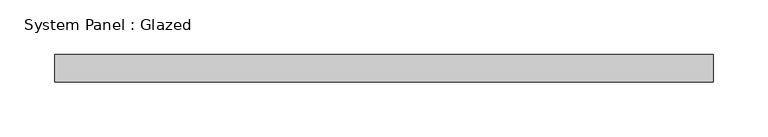
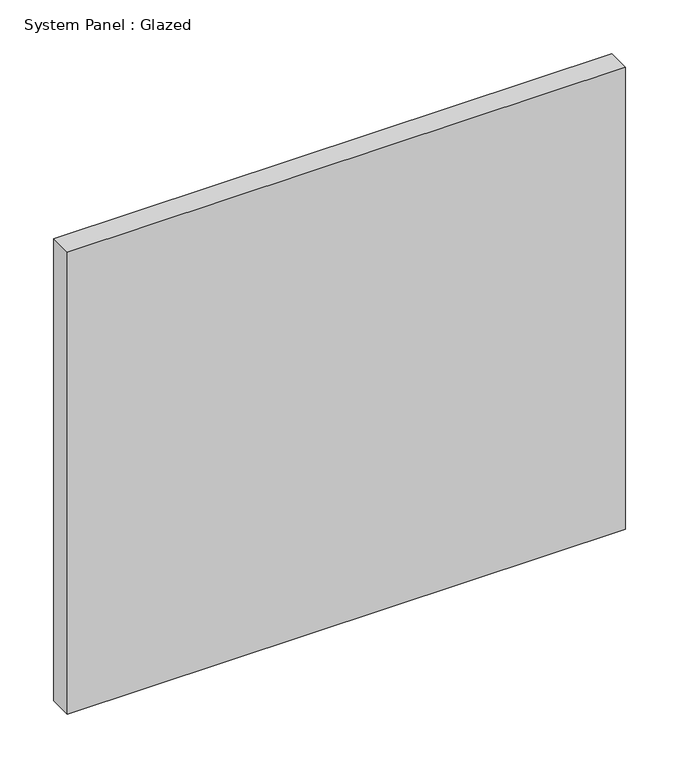
"""IFC4 building model written with IfcOpenShell, lengths in millimetres: plate geometry, System Panel : Glazed."""

from ifc_helpers import new_model, si_unit, origin, origin_with_axes, place, context, project, spatial, polyline, outline, extrude, source, transform, mapped, element, save


def system_panel_glazed_0484c297(model_context):
    return source(origin(), model_context, "Body", "SweptSolid", [
        extrude(outline(polyline([(300.0, 24.5), (-300.0, 24.5), (-300.0, 49.5), (300.0, 49.5), (300.0, 24.5)])), origin_with_axes(), (0.0, 0.0, 1.0), 525.0),
    ])


if __name__ == "__main__":
    model = new_model("IFC4")
    model_context = context("Model", 3, world=origin())
    ifc_project = project(units=[si_unit("LENGTHUNIT", "METRE", prefix="MILLI")], contexts=[model_context])
    site = spatial("IfcSite", under=ifc_project)
    building = spatial("IfcBuilding", under=site)
    placement = place(None, origin())
    system_panel_glazed_shape = system_panel_glazed_0484c297(model_context)
    element("IfcPlate", 1, ObjectType="System Panel : Glazed", at=placement, inside=building, context=model_context, shape_type="MappedRepresentation", body=[
        mapped(system_panel_glazed_shape, transform((0.0, 0.0, 0.0), x_axis=(1.0, 0.0, 0.0), y_axis=(0.0, 1.0, 0.0), z_axis=(0.0, 0.0, 1.0))),
    ])
    save(model, "model.ifc")
